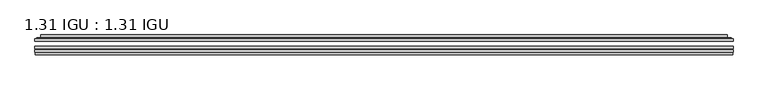
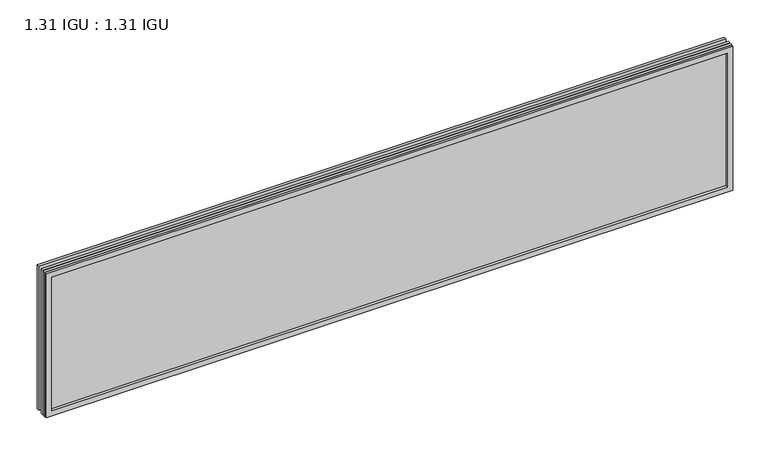
"""IFC4 building model written with IfcOpenShell, lengths in millimetres: plate geometry, 1.31 IGU : 1.31 IGU."""

import ifcopenshell
import ifcopenshell.guid

model = None  # the IFC model being written
_history = None  # IfcOwnerHistory: only IFC2X3 demands one
_inside = {}  # id of a spatial element -> (the spatial element, [elements in it])
_under = {}  # id of a project, library or spatial element -> (it, [spatial elements below it])
_declared = {}  # id of a project -> (the project, [libraries it declares])
_typed = {}  # id of a type object -> (the type object, [elements of that type])
_made_of = {}  # id of a material, layer set ... -> (it, [elements and type objects made of it])


def new_model(schema):
    """Start an empty IFC model of exactly this schema.

    Asked for "IFC4X3", IfcOpenShell would pick the latest addendum, in which some entities
    have other attributes; the version numbers below select the first issue.
    IFC2X3 requires an IfcOwnerHistory on every rooted entity: one is made here for all.
    """
    global model, _history
    if schema == "IFC4X3":
        model = ifcopenshell.file(schema_version=(4, 3, 0, 0))
    else:
        model = ifcopenshell.file(schema=schema)
    _inside.clear()
    _under.clear()
    _declared.clear()
    _typed.clear()
    _made_of.clear()
    _history = None
    if model.schema == "IFC2X3":
        org = make("IfcOrganization", Name="unknown")
        user = make(
            "IfcPersonAndOrganization",
            ThePerson=make("IfcPerson", FamilyName="unknown"),
            TheOrganization=org,
        )
        app = make(
            "IfcApplication",
            ApplicationDeveloper=org,
            Version="unknown",
            ApplicationFullName="unknown",
            ApplicationIdentifier="unknown",
        )
        _history = make(
            "IfcOwnerHistory",
            OwningUser=user,
            OwningApplication=app,
            ChangeAction="ADDED",
            CreationDate=0,
        )
    return model


def make(cls, **values):
    """One entity of the class cls with the attributes given. An attribute that is None is left unset."""
    return model.create_entity(
        cls, **{name: value for name, value in values.items() if value is not None}
    )


def rooted(cls, **values):
    """An entity with a GlobalId (a new one), such as an element, a storey or a relation."""
    return make(cls, GlobalId=ifcopenshell.guid.new(), OwnerHistory=_history, **values)


def si_unit(unit_type, name, prefix=None):
    """IfcSIUnit, for example si_unit("LENGTHUNIT", "METRE", prefix="MILLI")."""
    return make("IfcSIUnit", UnitType=unit_type, Prefix=prefix, Name=name)


def assignment(units):
    """IfcUnitAssignment: the units of a project."""
    return None if units is None else make("IfcUnitAssignment", Units=units)


def point(xyz):
    """IfcCartesianPoint."""
    return None if xyz is None else make("IfcCartesianPoint", Coordinates=xyz)


def direction(xyz):
    """IfcDirection."""
    return None if xyz is None else make("IfcDirection", DirectionRatios=xyz)


def frame(location, z_axis=None, x_axis=None):
    """IfcAxis2Placement3D, a coordinate frame: its origin and axes. An axis left out is left unset."""
    return make(
        "IfcAxis2Placement3D",
        Location=point(location),
        Axis=direction(z_axis),
        RefDirection=direction(x_axis),
    )


def origin():
    """The frame at (0, 0, 0) with its axes left unset."""
    return frame((0.0, 0.0, 0.0))


def place(relative_to, where):
    """IfcLocalPlacement: puts the frame where relative to a parent placement (None: the world)."""
    return make(
        "IfcLocalPlacement", PlacementRelTo=relative_to, RelativePlacement=where
    )


def context(
    kind, dimensions, precision=None, world=None, true_north=None, identifier=None
):
    """IfcGeometricRepresentationContext, for example the 3D "Model" context."""
    return make(
        "IfcGeometricRepresentationContext",
        ContextIdentifier=identifier,
        ContextType=kind,
        CoordinateSpaceDimension=dimensions,
        Precision=precision,
        WorldCoordinateSystem=world,
        TrueNorth=true_north,
    )


def project(units=None, contexts=None):
    """IfcProject with its units and contexts."""
    return rooted(
        "IfcProject",
        Name="project",
        RepresentationContexts=contexts,
        UnitsInContext=assignment(units),
    )


def spatial(cls, under=None, at=None, **own):
    """A site, building, storey or space (cls), placed at a placement, below another one or the project."""
    s = rooted(cls, ObjectPlacement=at, **own)
    if under is not None:
        _under.setdefault(under.id(), (under, []))[1].append(s)
    return s


def polyline(points):
    """IfcPolyline through the points."""
    return make("IfcPolyline", Points=[point(p) for p in points])


def ellipse_curve(where, semi_axis1, semi_axis2):
    """IfcEllipse in the frame where."""
    return make(
        "IfcEllipse", Position=where, SemiAxis1=semi_axis1, SemiAxis2=semi_axis2
    )


def outline(outer, holes=None, kind="AREA"):
    """IfcArbitraryClosedProfileDef: a profile drawn as a closed curve; with holes, ...WithVoids."""
    if holes is None:
        return make("IfcArbitraryClosedProfileDef", ProfileType=kind, OuterCurve=outer)
    return make(
        "IfcArbitraryProfileDefWithVoids",
        ProfileType=kind,
        OuterCurve=outer,
        InnerCurves=holes,
    )


def extrude(swept, where, along, depth):
    """IfcExtrudedAreaSolid: the profile swept, set in the frame where, extruded along a direction by depth."""
    return make(
        "IfcExtrudedAreaSolid",
        SweptArea=swept,
        Position=where,
        ExtrudedDirection=direction(along),
        Depth=depth,
    )


def faces_of(points, faces, orient=None, outer=None):
    """IfcFace entities. A face is a list of loops; a loop is a list of indices into points, from 0.

    orient and outer hold one flag for each loop. By default every Orientation is true, the
    first loop of a face is its IfcFaceOuterBound and the others are IfcFaceBound.
    """
    made = []
    for i, loops in enumerate(faces):
        bounds = []
        for j, loop in enumerate(loops):
            is_outer = j == 0 if outer is None else outer[i][j]
            bounds.append(
                make(
                    "IfcFaceOuterBound" if is_outer else "IfcFaceBound",
                    Bound=make("IfcPolyLoop", Polygon=[points[k] for k in loop]),
                    Orientation=True if orient is None else orient[i][j],
                )
            )
        made.append(make("IfcFace", Bounds=bounds))
    return made


def faceted_brep(points, faces, orient=None, outer=None, voids=None):
    """IfcFacetedBrep: a solid bounded by flat faces; with voids (closed shells), ...WithVoids."""
    shared = [point(p) for p in points]
    hull = make("IfcClosedShell", CfsFaces=faces_of(shared, faces, orient, outer))
    if voids is None:
        return make("IfcFacetedBrep", Outer=hull)
    return make(
        "IfcFacetedBrepWithVoids",
        Outer=hull,
        Voids=[
            make(cls, CfsFaces=faces_of(shared, fs, o, b)) for cls, fs, o, b in voids
        ],
    )


def shape(context_of_items, identifier, shape_type, items):
    """IfcShapeRepresentation: the items that make up one representation, for example the "Body"."""
    return make(
        "IfcShapeRepresentation",
        ContextOfItems=context_of_items,
        RepresentationIdentifier=identifier,
        RepresentationType=shape_type,
        Items=items,
    )


def source(mapping_origin, context_of_items, identifier, shape_type, items):
    """IfcRepresentationMap: a shape defined once, which mapped items show again and again."""
    return make(
        "IfcRepresentationMap",
        MappingOrigin=mapping_origin,
        MappedRepresentation=shape(context_of_items, identifier, shape_type, items),
    )


def transform(
    local_origin,
    x_axis=None,
    y_axis=None,
    z_axis=None,
    scale=None,
    scale2=None,
    scale3=None,
    uniform=True,
):
    """IfcCartesianTransformationOperator3D, or its non-uniform kind. x_axis, y_axis, z_axis: its Axis1, 2, 3."""
    if uniform:
        return make(
            "IfcCartesianTransformationOperator3D",
            Axis1=direction(x_axis),
            Axis2=direction(y_axis),
            LocalOrigin=point(local_origin),
            Scale=scale,
            Axis3=direction(z_axis),
        )
    return make(
        "IfcCartesianTransformationOperator3DnonUniform",
        Axis1=direction(x_axis),
        Axis2=direction(y_axis),
        LocalOrigin=point(local_origin),
        Scale=scale,
        Axis3=direction(z_axis),
        Scale2=scale2,
        Scale3=scale3,
    )


def mapped(mapping_source, mapping_target):
    """IfcMappedItem: shows the shape of a source again, moved by a transform."""
    return make(
        "IfcMappedItem", MappingSource=mapping_source, MappingTarget=mapping_target
    )


def made_of(thing, what):
    """Note that an element or type object is made of a material, layer set ...; save() writes the relation."""
    if what is not None:
        _made_of.setdefault(what.id(), (what, []))[1].append(thing)
    return thing


def element(
    cls,
    number,
    at=None,
    inside=None,
    cuts=None,
    type_object=None,
    material=None,
    context=None,
    identifier="Body",
    shape_type=None,
    held_by="IfcProductDefinitionShape",
    body=None,
    shapes=None,
    **own,
):
    """One element of the class cls, such as IfcWall. Its Tag is "e" and its number.

    at: its placement. inside: the storey or other place that contains it. cuts: it is an
    opening in that element (IfcRelVoidsElement). A single representation is given by context,
    identifier, shape_type and body (its items); several are given by shapes. held_by: the class
    of the entity that holds the representations. save() writes the other relations.
    """
    e = rooted(cls, Tag="e%d" % number, ObjectPlacement=at, **own)
    if body is not None:
        shapes = [shape(context, identifier, shape_type, body)]
    if shapes is not None:
        e.Representation = make(held_by, Representations=shapes)
    if inside is not None:
        _inside.setdefault(inside.id(), (inside, []))[1].append(e)
    if cuts is not None:
        rooted(
            "IfcRelVoidsElement", RelatingBuildingElement=cuts, RelatedOpeningElement=e
        )
    if type_object is not None:
        _typed.setdefault(type_object.id(), (type_object, []))[1].append(e)
    return made_of(e, material)


def aggregate(whole, parts):
    """IfcRelAggregates: a whole, such as a stair, and the parts it consists of."""
    return rooted("IfcRelAggregates", RelatingObject=whole, RelatedObjects=parts)


def save(model, path):
    """Write the relations noted so far, then the file.

    IfcRelAggregates (storeys below a building ...), IfcRelContainedInSpatialStructure (elements
    in a storey), IfcRelDefinesByType, IfcRelAssociatesMaterial and IfcRelDeclares: one each for
    every whole, place, type object, material and project.
    """
    for whole, parts in _under.values():
        aggregate(whole, parts)
    for where, things in _inside.values():
        rooted(
            "IfcRelContainedInSpatialStructure",
            RelatedElements=things,
            RelatingStructure=where,
        )
    for kind, things in _typed.values():
        rooted("IfcRelDefinesByType", RelatedObjects=things, RelatingType=kind)
    for what, things in _made_of.values():
        rooted("IfcRelAssociatesMaterial", RelatedObjects=things, RelatingMaterial=what)
    for by, libraries in _declared.values():
        rooted("IfcRelDeclares", RelatingContext=by, RelatedDefinitions=libraries)
    model.write(path)


def plane_surface(at):
    """IfcPlane: the flat surface through the origin of the frame at, square to its z axis."""
    return make("IfcPlane", Position=at)


def cylinder_surface(at, radius):
    """IfcCylindricalSurface: all points at the distance radius from the z axis of the frame at."""
    return make("IfcCylindricalSurface", Position=at, Radius=radius)


def advanced_brep(points, edges, surfaces, faces):
    """IfcAdvancedBrep: a solid bounded by faces that lie on surfaces and meet in shared edges.

    An edge is (start, end): straight between two places in points (the first is 0);
    or (start, end, curve); or (start, end, curve, False) where it runs against its curve.
    A face is (place in surfaces, loops), or (place, loops, False) where it looks against
    its surface's normal. A loop lists edges by number (the first is 1), with a minus sign
    where the edge is run from its end to its start. The first loop is the outer one.
    """
    corners = [point(p) for p in points]
    vertices = [make("IfcVertexPoint", VertexGeometry=c) for c in corners]
    made = []
    for start, end, *more in edges:
        made.append(
            make(
                "IfcEdgeCurve",
                EdgeStart=vertices[start],
                EdgeEnd=vertices[end],
                EdgeGeometry=more[0] if more else make("IfcPolyline", Points=[corners[start], corners[end]]),
                SameSense=more[1] if len(more) > 1 else True,
            )
        )
    hull = []
    for where, loops, *sense in faces:
        bounds = []
        for j, loop in enumerate(loops):
            ring = [make("IfcOrientedEdge", EdgeElement=made[abs(k) - 1], Orientation=k > 0) for k in loop]
            bounds.append(
                make(
                    "IfcFaceOuterBound" if j == 0 else "IfcFaceBound",
                    Bound=make("IfcEdgeLoop", EdgeList=ring),
                    Orientation=True,
                )
            )
        hull.append(make("IfcAdvancedFace", Bounds=bounds, FaceSurface=surfaces[where], SameSense=sense[0] if sense else True))
    return make("IfcAdvancedBrep", Outer=make("IfcClosedShell", CfsFaces=hull))


def plate_1_31_igu_1_31_igu_e9b616fa(model_context):
    return source(origin(), model_context, "Body", "SolidModel", [
        extrude(outline(polyline([(871.5519462, -63.59525), (871.5519462, -69.94525), (-871.5377713, -69.94525), (-871.5377713, -63.59525), (871.5519462, -63.59525)])), frame((0.0, 0.0, -14.2875), z_axis=(0.0, 0.0, 1.0), x_axis=(1.0, 0.0, 0.0)), (0.0, 0.0, 1.0), 387.3537979),
        extrude(outline(polyline([(-871.5377713, -78.58125), (-871.5377713, -72.230745), (871.5519462, -72.230745), (871.5519462, -78.58125), (-871.5377713, -78.58125)])), frame((0.0, 0.0, -14.2875), z_axis=(0.0, 0.0, 1.0), x_axis=(1.0, 0.0, 0.0)), (0.0, 0.0, 1.0), 387.3537979),
        extrude(outline(polyline([(871.5519462, -45.25645), (871.5519462, -51.60645), (-871.5377713, -51.60645), (-871.5377713, -45.25645), (871.5519462, -45.25645)])), frame((0.0, 0.0, -14.2875), z_axis=(0.0, 0.0, 1.0), x_axis=(1.0, 0.0, 0.0)), (0.0, 0.0, 1.0), 387.3537979),
        faceted_brep([(-870.8375855, -84.93125, 372.3623142), (-870.8375855, -78.58125, 372.3623142), (-870.8375855, -78.58125, -13.5873142), (-870.8375855, -84.93125, -13.5873142), (870.8375855, -78.58125, -13.5873142), (870.8375855, -84.93125, -13.5873142), (870.8375855, -78.58125, 372.3623142), (870.8375855, -84.93125, 372.3623142), (-856.3525272, -78.58125, 0.8977441), (856.3525272, -78.58125, 0.8977441), (856.3525272, -78.58125, 357.8772559), (-856.3525272, -78.58125, 357.8772559), (-857.2449615, -84.93125, 358.7696902), (857.2449615, -84.93125, 358.7696902), (857.2449615, -84.93125, 0.0053098), (-857.2449615, -84.93125, 0.0053098)], [[[0, 1, 2, 3]], [[3, 2, 4, 5]], [[5, 4, 6, 7]], [[1, 6, 4, 2], [8, 9, 10, 11]], [[7, 6, 1, 0]], [[3, 5, 7, 0], [12, 13, 14, 15]], [[11, 12, 15, 8]], [[8, 15, 14, 9]], [[9, 14, 13, 10]], [[10, 13, 12, 11]]]),
        advanced_brep(
        [(-864.2964903, -45.25645, 365.8212191), (-866.6506957, -43.2667833, 368.1754244), (-866.6506957, -43.2667833, -9.4004244), (-864.2964903, -45.25645, -7.046219), (-855.2221652, -41.416413, 356.7468939), (-850.2873334, -45.25645, 351.8120621), (-850.2873334, -45.25645, 6.9629379), (-855.2221652, -41.416413, 2.0281061), (-856.2541929, -36.0191819, 357.7789217), (-856.2541929, -36.0191819, 0.9960783), (-857.2448497, -35.6202069, 358.7695784), (-857.2448497, -35.6202069, 0.0054216), (-857.2448497, -42.08145, 358.7695784), (-857.2448497, -42.08145, 0.0054216), (-865.6489062, -42.08145, 367.1736349), (-865.6489062, -42.08145, -8.3986349), (866.6506957, -43.2667833, -9.4004244), (864.2964903, -45.25645, -7.046219), (850.2873334, -45.25645, 6.9629379), (855.2221652, -41.416413, 2.0281061), (856.2541929, -36.0191819, 0.9960783), (857.2448497, -35.6202069, 0.0054216), (857.2448497, -42.08145, 0.0054216), (865.6489062, -42.08145, -8.3986349), (866.6506957, -43.2667833, 368.1754244), (864.2964903, -45.25645, 365.8212191), (850.2873334, -45.25645, 351.8120621), (855.2221652, -41.416413, 356.7468939), (856.2541929, -36.0191819, 357.7789217), (857.2448497, -35.6202069, 358.7695784), (857.2448497, -42.08145, 358.7695784), (865.6489062, -42.08145, 367.1736349)],
        [
            (0, 1, ellipse_curve(frame((-864.2964903, -42.86885, 365.8212191), z_axis=(-0.7071067811865475, 0.0, -0.7071067811865475), x_axis=(-0.7071067811865474, 0.0, 0.7071067811865476)), 3.3765763, 2.3876)),
            (1, 2),
            (2, 3, ellipse_curve(frame((-864.2964903, -42.86885, -7.046219), z_axis=(-0.7071067811865475, 0.0, 0.7071067811865475), x_axis=(0.7071067811865474, 0.0, 0.7071067811865476)), 3.3765763, 2.3876)),
            (3, 0),
            (4, 5),
            (5, 6),
            (6, 7),
            (7, 4),
            (8, 4),
            (7, 9),
            (9, 8),
            (10, 8, ellipse_curve(frame((-856.8778931, -36.1384423, 358.4026219), z_axis=(-0.7071067811865475, 0.0, -0.7071067811865475), x_axis=(-0.7071067811865474, 0.0, 0.7071067811865476)), 0.8980256, 0.635)),
            (9, 11, ellipse_curve(frame((-856.8778931, -36.1384423, 0.3723781), z_axis=(-0.7071067811865475, 0.0, 0.7071067811865475), x_axis=(0.7071067811865474, 0.0, 0.7071067811865476)), 0.8980256, 0.635)),
            (11, 10),
            (12, 10),
            (11, 13),
            (13, 12),
            (1, 14, ellipse_curve(frame((-865.6489062, -43.09745, 367.1736349), z_axis=(-0.7071067811865475, 0.0, -0.7071067811865475), x_axis=(-0.7071067811865474, 0.0, 0.7071067811865476)), 1.436841, 1.016)),
            (14, 15),
            (15, 2, ellipse_curve(frame((-865.6489062, -43.09745, -8.3986349), z_axis=(-0.7071067811865475, 0.0, 0.7071067811865475), x_axis=(0.7071067811865474, 0.0, 0.7071067811865476)), 1.436841, 1.016)),
            (2, 16),
            (16, 17, ellipse_curve(frame((864.2964903, -42.86885, -7.046219), z_axis=(-0.7071067811865475, 0.0, -0.7071067811865475), x_axis=(-0.7071067811865476, 0.0, 0.7071067811865474)), 3.3765763, 2.3876)),
            (17, 3),
            (6, 18),
            (18, 19),
            (19, 7),
            (19, 20),
            (20, 9),
            (20, 21, ellipse_curve(frame((856.8778931, -36.1384423, 0.3723781), z_axis=(-0.7071067811865475, 0.0, -0.7071067811865475), x_axis=(-0.7071067811865476, 0.0, 0.7071067811865474)), 0.8980256, 0.635)),
            (21, 11),
            (21, 22),
            (22, 13),
            (15, 23),
            (23, 16, ellipse_curve(frame((865.6489062, -43.09745, -8.3986349), z_axis=(-0.7071067811865475, 0.0, -0.7071067811865475), x_axis=(-0.7071067811865476, 0.0, 0.7071067811865474)), 1.436841, 1.016)),
            (16, 24),
            (24, 25, ellipse_curve(frame((864.2964903, -42.86885, 365.8212191), z_axis=(0.7071067811865475, 0.0, -0.7071067811865475), x_axis=(-0.7071067811865474, 0.0, -0.7071067811865476)), 3.3765763, 2.3876)),
            (25, 17),
            (18, 26),
            (26, 27),
            (27, 19),
            (27, 28),
            (28, 20),
            (28, 29, ellipse_curve(frame((856.8778931, -36.1384423, 358.4026219), z_axis=(0.7071067811865475, 0.0, -0.7071067811865475), x_axis=(-0.7071067811865474, 0.0, -0.7071067811865476)), 0.8980256, 0.635)),
            (29, 21),
            (29, 30),
            (30, 22),
            (23, 31),
            (31, 24, ellipse_curve(frame((865.6489062, -43.09745, 367.1736349), z_axis=(0.7071067811865475, 0.0, -0.7071067811865475), x_axis=(-0.7071067811865474, 0.0, -0.7071067811865476)), 1.436841, 1.016)),
            (24, 1),
            (0, 25),
            (5, 26),
            (4, 27),
            (8, 28),
            (10, 29),
            (12, 30),
            (14, 31),
        ],
        [
            cylinder_surface(frame((-864.2964903, -42.86885, 390.525), z_axis=(0.0, 0.0, 1.0), x_axis=(-1.0, 0.0, 0.0)), 2.3876),
            plane_surface(frame((-850.2873334, -45.25645, 351.8120621), z_axis=(0.6141233906514794, 0.7892100234124821, 0.0), x_axis=(0.0, 0.0, -1.0))),
            plane_surface(frame((-855.2221652, -41.416413, 356.7468939), z_axis=(0.9822050625507729, 0.18781164793386076, 0.0), x_axis=(0.0, 0.0, -1.0))),
            cylinder_surface(frame((-856.8778931, -36.1384423, 390.525), z_axis=(0.0, 0.0, 1.0), x_axis=(-1.0, 0.0, 0.0)), 0.635),
            plane_surface(frame((-857.2448497, -35.6202069, 358.7695784), z_axis=(-1.0, 0.0, 0.0), x_axis=(0.0, 0.0, -1.0))),
            cylinder_surface(frame((-865.6489062, -43.09745, 390.525), z_axis=(0.0, 0.0, 1.0), x_axis=(-1.0, 0.0, 0.0)), 1.016),
            cylinder_surface(frame((-889.0002713, -42.86885, -7.046219), z_axis=(-1.0, 0.0, 0.0), x_axis=(0.0, 0.0, -1.0)), 2.3876),
            plane_surface(frame((-850.2873334, -45.25645, 6.9629379), z_axis=(0.0, 0.7892100234124841, 0.6141233906514768), x_axis=(1.0, 0.0, 0.0))),
            plane_surface(frame((-855.2221652, -41.416413, 2.0281061), z_axis=(0.0, 0.18781164793386393, 0.9822050625507723), x_axis=(1.0, 0.0, 0.0))),
            cylinder_surface(frame((-889.0002713, -36.1384423, 0.3723781), z_axis=(-1.0, 0.0, 0.0), x_axis=(0.0, 0.0, -1.0)), 0.635),
            plane_surface(frame((-857.2448497, -35.6202069, 0.0054216), z_axis=(0.0, 0.0, -1.0), x_axis=(1.0, 0.0, 0.0))),
            cylinder_surface(frame((-889.0002713, -43.09745, -8.3986349), z_axis=(-1.0, 0.0, 0.0), x_axis=(0.0, 0.0, -1.0)), 1.016),
            cylinder_surface(frame((864.2964903, -42.86885, -31.75), z_axis=(0.0, 0.0, -1.0), x_axis=(1.0, 0.0, 0.0)), 2.3876),
            plane_surface(frame((850.2873334, -45.25645, 6.9629379), z_axis=(-0.6141233906514743, 0.7892100234124861, 0.0), x_axis=(0.0, 0.0, 1.0))),
            plane_surface(frame((855.2221652, -41.416413, 2.0281061), z_axis=(-0.9822050625507718, 0.1878116479338671, 0.0), x_axis=(0.0, 0.0, 1.0))),
            cylinder_surface(frame((856.8778931, -36.1384423, -31.75), z_axis=(0.0, 0.0, -1.0), x_axis=(1.0, 0.0, 0.0)), 0.635),
            plane_surface(frame((857.2448497, -35.6202069, 0.0054216), z_axis=(1.0, 0.0, 0.0), x_axis=(0.0, 0.0, 1.0))),
            cylinder_surface(frame((865.6489062, -43.09745, -31.75), z_axis=(0.0, 0.0, -1.0), x_axis=(1.0, 0.0, 0.0)), 1.016),
            cylinder_surface(frame((889.0002713, -42.86885, 365.8212191), z_axis=(1.0, 0.0, 0.0), x_axis=(0.0, 0.0, 1.0)), 2.3876),
            plane_surface(frame((864.2964903, -45.25645, 365.8212191), z_axis=(0.0, -1.0, 0.0), x_axis=(-1.0, 0.0, 0.0))),
            plane_surface(frame((850.2873334, -45.25645, 351.8120621), z_axis=(0.0, 0.7892100234124841, -0.6141233906514768), x_axis=(-1.0, 0.0, 0.0))),
            plane_surface(frame((855.2221652, -41.416413, 356.7468939), z_axis=(0.0, 0.18781164793386393, -0.9822050625507723), x_axis=(-1.0, 0.0, 0.0))),
            cylinder_surface(frame((889.0002713, -36.1384423, 358.4026219), z_axis=(1.0, 0.0, 0.0), x_axis=(0.0, 0.0, 1.0)), 0.635),
            plane_surface(frame((857.2448497, -35.6202069, 358.7695784), z_axis=(0.0, 0.0, 1.0), x_axis=(-1.0, 0.0, 0.0))),
            plane_surface(frame((857.2448497, -42.08145, 358.7695784), z_axis=(0.0, 1.0, 0.0), x_axis=(-1.0, 0.0, 0.0))),
            cylinder_surface(frame((889.0002713, -43.09745, 367.1736349), z_axis=(1.0, 0.0, 0.0), x_axis=(0.0, 0.0, 1.0)), 1.016),
        ],
        [
            (0, [[1, 2, 3, 4]]),
            (1, [[5, 6, 7, 8]]),
            (2, [[9, -8, 10, 11]]),
            (3, [[12, -11, 13, 14]]),
            (4, [[15, -14, 16, 17]]),
            (5, [[18, 19, 20, -2]]),
            (6, [[-3, 21, 22, 23]]),
            (7, [[-7, 24, 25, 26]]),
            (8, [[-10, -26, 27, 28]]),
            (9, [[-13, -28, 29, 30]]),
            (10, [[-16, -30, 31, 32]]),
            (11, [[-20, 33, 34, -21]]),
            (12, [[-22, 35, 36, 37]]),
            (13, [[-25, 38, 39, 40]]),
            (14, [[-27, -40, 41, 42]]),
            (15, [[-29, -42, 43, 44]]),
            (16, [[-31, -44, 45, 46]]),
            (17, [[-34, 47, 48, -35]]),
            (18, [[-36, 49, -1, 50]]),
            (19, [[-23, -37, -50, -4], [51, -38, -24, -6]]),
            (20, [[-39, -51, -5, 52]]),
            (21, [[-41, -52, -9, 53]]),
            (22, [[-43, -53, -12, 54]]),
            (23, [[-45, -54, -15, 55]]),
            (24, [[56, -47, -33, -19], [-32, -46, -55, -17]]),
            (25, [[-48, -56, -18, -49]]),
        ],
    ),
    ])


if __name__ == "__main__":
    model = new_model("IFC4")
    model_context = context("Model", 3, world=origin())
    ifc_project = project(units=[si_unit("LENGTHUNIT", "METRE", prefix="MILLI")], contexts=[model_context])
    site = spatial("IfcSite", under=ifc_project)
    building = spatial("IfcBuilding", under=site)
    placement = place(None, origin())
    plate_1_31_igu_1_31_igu_shape = plate_1_31_igu_1_31_igu_e9b616fa(model_context)
    element("IfcPlate", 1, ObjectType="1.31 IGU : 1.31 IGU", at=placement, inside=building, context=model_context, shape_type="MappedRepresentation", body=[
        mapped(plate_1_31_igu_1_31_igu_shape, transform((0.0, 0.0, 0.0), x_axis=(1.0, 0.0, 0.0), y_axis=(0.0, 1.0, 0.0), z_axis=(0.0, 0.0, 1.0))),
    ])
    save(model, "model.ifc")
